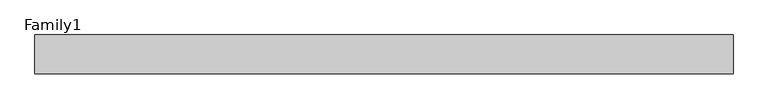
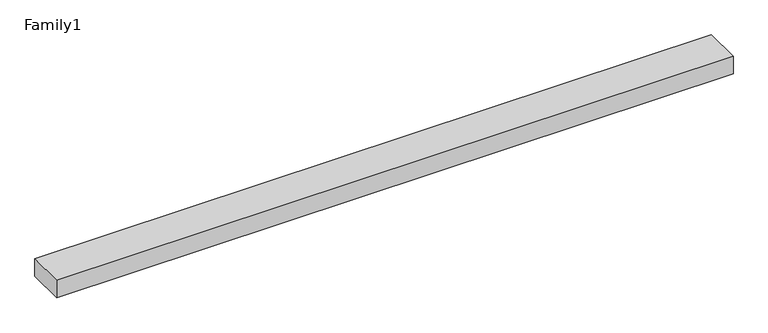
"""IFC4 building model written with IfcOpenShell, lengths in millimetres: proxy geometry, Family1."""

from ifc_helpers import new_model, si_unit, origin, origin_with_axes, place, context, project, spatial, polyline, outline, extrude, source, transform, mapped, element, save


def family1_96a8520f(model_context):
    return source(origin(), model_context, "Body", "SweptSolid", [
        extrude(outline(polyline([(90000.0, 0.0), (0.0, 0.0), (0.0, 5000.0), (90000.0, 5000.0), (90000.0, 0.0)])), origin_with_axes(), (0.0, 0.0, 1.0), 2411.0),
    ])


if __name__ == "__main__":
    model = new_model("IFC4")
    model_context = context("Model", 3, world=origin())
    ifc_project = project(units=[si_unit("LENGTHUNIT", "METRE", prefix="MILLI")], contexts=[model_context])
    site = spatial("IfcSite", under=ifc_project)
    building = spatial("IfcBuilding", under=site)
    placement = place(None, origin())
    family1_shape = family1_96a8520f(model_context)
    element("IfcBuildingElementProxy", 1, Name="Family1", ObjectType="Family1", at=placement, inside=building, context=model_context, shape_type="MappedRepresentation", body=[
        mapped(family1_shape, transform((0.0, 0.0, 0.0), x_axis=(1.0, 0.0, 0.0), y_axis=(0.0, 1.0, 0.0), z_axis=(0.0, 0.0, 1.0))),
    ])
    save(model, "model.ifc")
